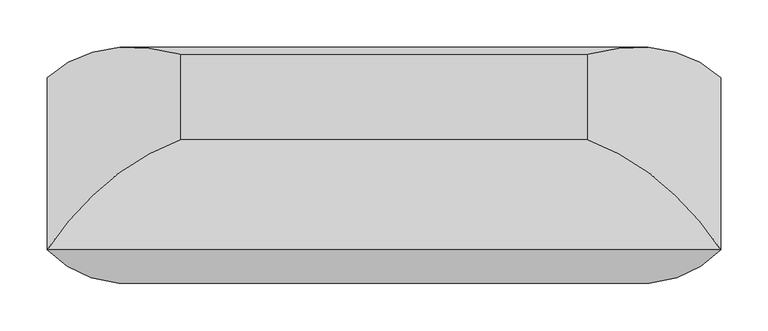
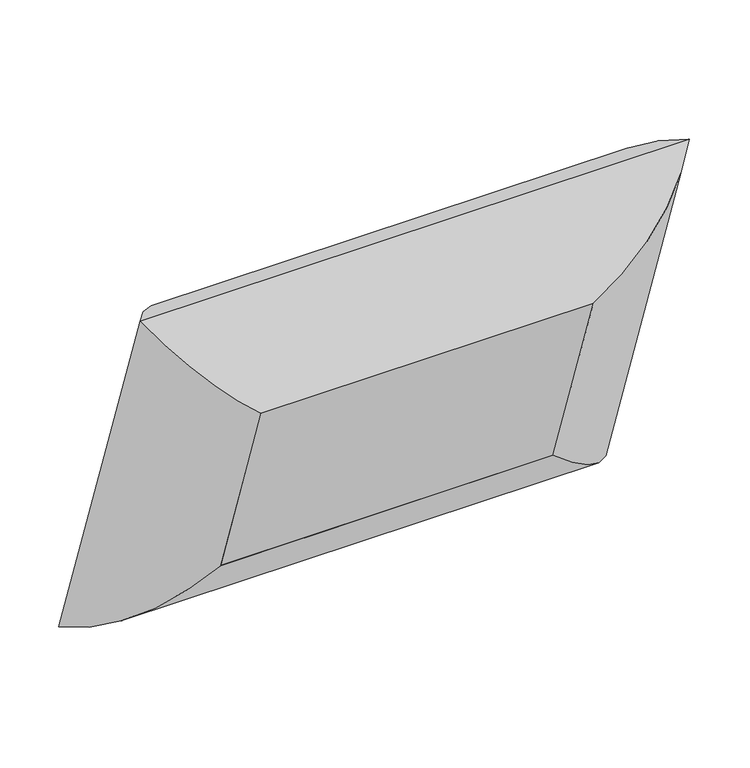
"""IFC4 building model written with IfcOpenShell, lengths in millimetres: furniture geometry."""

from ifc_helpers import new_model, si_unit, frame, origin, place, context, project, spatial, polyline, ellipse_curve, outline, extrude, source, transform, mapped, element, save
from ifc_brep_helpers import plane_surface, cylinder_surface, advanced_brep


def furniture_d93a6217(model_context):
    return source(origin(), model_context, "Body", "SolidModel", [
        advanced_brep(
        [(-215.10625, -209.7099625, 801.6558166), (-355.2741804, -181.7153317, 959.539643), (-355.2741804, 0.0, 431.8), (-215.10625, -119.2630596, 538.9789373), (-215.10625, -65.6129316, 851.2724034), (-215.10625, 24.8339713, 588.5955241), (355.2741804, 0.0, 431.8), (215.10625, -119.2630596, 538.9789373), (215.10625, 24.8339713, 588.5955241), (355.2741804, -181.7153317, 959.539643), (215.10625, -209.7099625, 801.6558166), (215.10625, -65.6129316, 851.2724034)],
        [
            (0, 1, ellipse_curve(frame((-210.326504, -43.9268723, 853.6843542), z_axis=(-0.7071067811865478, 0.23021144975504015, -0.6685825965441236), x_axis=(-0.7071067811865474, -0.23021144975504035, 0.668582596544124)), 245.7274984, 173.7555804)),
            (1, 2),
            (2, 3, ellipse_curve(frame((-210.326504, 43.4077645, 600.0461521), z_axis=(-0.7071067811865471, -0.23021144975504024, 0.668582596544124), x_axis=(0.7071067811865476, -0.23021144975504035, 0.6685825965441238)), 245.7274984, 173.7555804)),
            (3, 0),
            (4, 0),
            (3, 5),
            (5, 4),
            (1, 4, ellipse_curve(frame((-205.9179464, -238.8224534, 781.9138422), z_axis=(-0.7071067811865478, 0.23021144975504015, -0.6685825965441236), x_axis=(-0.7071067811865474, -0.23021144975504035, 0.668582596544124)), 263.8641638, 186.5801395)),
            (5, 2, ellipse_curve(frame((-205.9179464, -154.3583886, 536.6123863), z_axis=(-0.7071067811865471, -0.23021144975504024, 0.668582596544124), x_axis=(0.7071067811865476, -0.23021144975504035, 0.6685825965441238)), 263.8641638, 186.5801395)),
            (2, 6),
            (6, 7, ellipse_curve(frame((210.326504, 43.4077645, 600.0461521), z_axis=(-0.7071067811865478, 0.2302114497550404, -0.6685825965441236), x_axis=(-0.7071067811865471, -0.23021144975504043, 0.6685825965441241)), 245.7274984, 173.7555804)),
            (7, 3),
            (7, 8),
            (8, 5),
            (8, 6, ellipse_curve(frame((205.9179464, -154.3583886, 536.6123863), z_axis=(-0.7071067811865478, 0.2302114497550404, -0.6685825965441236), x_axis=(-0.7071067811865471, -0.23021144975504043, 0.6685825965441241)), 263.8641638, 186.5801395)),
            (6, 9),
            (9, 10, ellipse_curve(frame((210.326504, -43.9268723, 853.6843542), z_axis=(0.7071067811865472, 0.23021144975504046, -0.6685825965441239), x_axis=(-0.7071067811865476, 0.23021144975504026, -0.6685825965441236)), 245.7274984, 173.7555804)),
            (10, 7),
            (10, 11),
            (11, 8),
            (11, 9, ellipse_curve(frame((205.9179464, -238.8224534, 781.9138422), z_axis=(0.7071067811865472, 0.23021144975504046, -0.6685825965441239), x_axis=(-0.7071067811865476, 0.23021144975504026, -0.6685825965441236)), 263.8641638, 186.5801395)),
            (9, 1),
            (0, 10),
            (4, 11),
        ],
        [
            cylinder_surface(frame((-210.326504, -45.4830054, 858.2036928), z_axis=(0.0, -0.32556815445715026, 0.945518575599319), x_axis=(0.0, -0.945518575599319, -0.32556815445715026)), 173.7555804),
            plane_surface(frame((-215.10625, -209.7099625, 801.6558166), z_axis=(1.0000000000000002, 0.0, 0.0), x_axis=(0.0, 0.32556815445715037, -0.9455185755993191))),
            cylinder_surface(frame((-205.9179464, -241.8138725, 790.6015539), z_axis=(0.0, -0.32556815445715026, 0.945518575599319), x_axis=(0.0, -0.945518575599319, -0.32556815445715026)), 186.5801395),
            cylinder_surface(frame((-215.10625, 43.4077645, 600.0461521), z_axis=(-1.0, 0.0, 0.0), x_axis=(0.0, -0.9455185755993192, -0.3255681544571501)), 173.7555804),
            plane_surface(frame((-215.10625, -119.2630596, 538.9789373), z_axis=(0.0, -0.32556815445714987, 0.9455185755993193), x_axis=(1.0, 0.0, 0.0))),
            cylinder_surface(frame((-215.10625, -154.3583886, 536.6123863), z_axis=(-1.0, 0.0, 0.0), x_axis=(0.0, -0.9455185755993192, -0.3255681544571501)), 186.5801395),
            cylinder_surface(frame((210.326504, 44.9638976, 595.5268135), z_axis=(0.0, 0.3255681544571504, -0.945518575599319), x_axis=(0.0, -0.945518575599319, -0.3255681544571504)), 173.7555804),
            plane_surface(frame((215.10625, -119.2630596, 538.9789373), z_axis=(-1.0000000000000002, 0.0, 0.0), x_axis=(0.0, -0.3255681544571504, 0.9455185755993191))),
            cylinder_surface(frame((205.9179464, -151.3669696, 527.9246746), z_axis=(0.0, 0.3255681544571504, -0.945518575599319), x_axis=(0.0, -0.945518575599319, -0.3255681544571504)), 186.5801395),
            cylinder_surface(frame((215.10625, -43.9268723, 853.6843542), z_axis=(1.0, 0.0, 0.0), x_axis=(0.0, -0.945518575599319, -0.3255681544571508)), 173.7555804),
            plane_surface(frame((215.10625, -209.7099625, 801.6558166), z_axis=(0.0, 0.325568154457151, -0.9455185755993188), x_axis=(-1.0, 0.0, 0.0))),
            cylinder_surface(frame((215.10625, -238.8224534, 781.9138422), z_axis=(1.0, 0.0, 0.0), x_axis=(0.0, -0.945518575599319, -0.3255681544571508)), 186.5801395),
        ],
        [
            (0, [[1, 2, 3, 4]]),
            (1, [[5, -4, 6, 7]]),
            (2, [[8, -7, 9, -2]]),
            (3, [[-3, 10, 11, 12]]),
            (4, [[-6, -12, 13, 14]]),
            (5, [[-9, -14, 15, -10]]),
            (6, [[-11, 16, 17, 18]]),
            (7, [[-13, -18, 19, 20]]),
            (8, [[-15, -20, 21, -16]]),
            (9, [[-17, 22, -1, 23]]),
            (10, [[-19, -23, -5, 24]]),
            (11, [[-21, -24, -8, -22]]),
        ],
    ),
        extrude(outline(polyline([(0.0, -430.2125), (0.0, 0.0), (152.4, 0.0), (152.4, -430.2125), (0.0, -430.2125)])), frame((-215.10625, -119.2630596, 538.9789373), z_axis=(0.0, -0.32556815445714987, 0.9455185755993192), x_axis=(0.0, 0.9455185755993192, 0.32556815445714987)), (0.0, 0.0, 1.0), 277.8125),
    ])


if __name__ == "__main__":
    model = new_model("IFC4")
    model_context = context("Model", 3, world=origin())
    ifc_project = project(units=[si_unit("LENGTHUNIT", "METRE", prefix="MILLI")], contexts=[model_context])
    site = spatial("IfcSite", under=ifc_project)
    building = spatial("IfcBuilding", under=site)
    placement = place(None, origin())
    furniture_shape = furniture_d93a6217(model_context)
    element("IfcFurniture", 1, at=placement, inside=building, context=model_context, shape_type="MappedRepresentation", body=[
        mapped(furniture_shape, transform((0.0, 0.0, 0.0), x_axis=(1.0, 0.0, 0.0), y_axis=(0.0, 1.0, 0.0), z_axis=(0.0, 0.0, 1.0))),
    ])
    save(model, "model.ifc")
